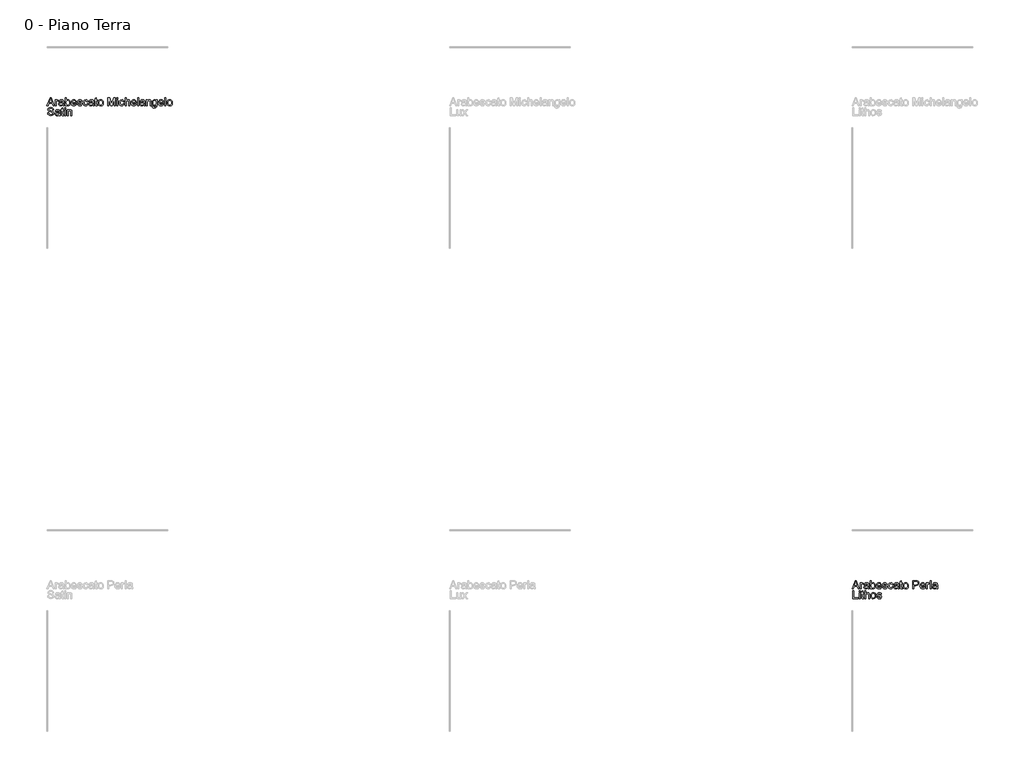
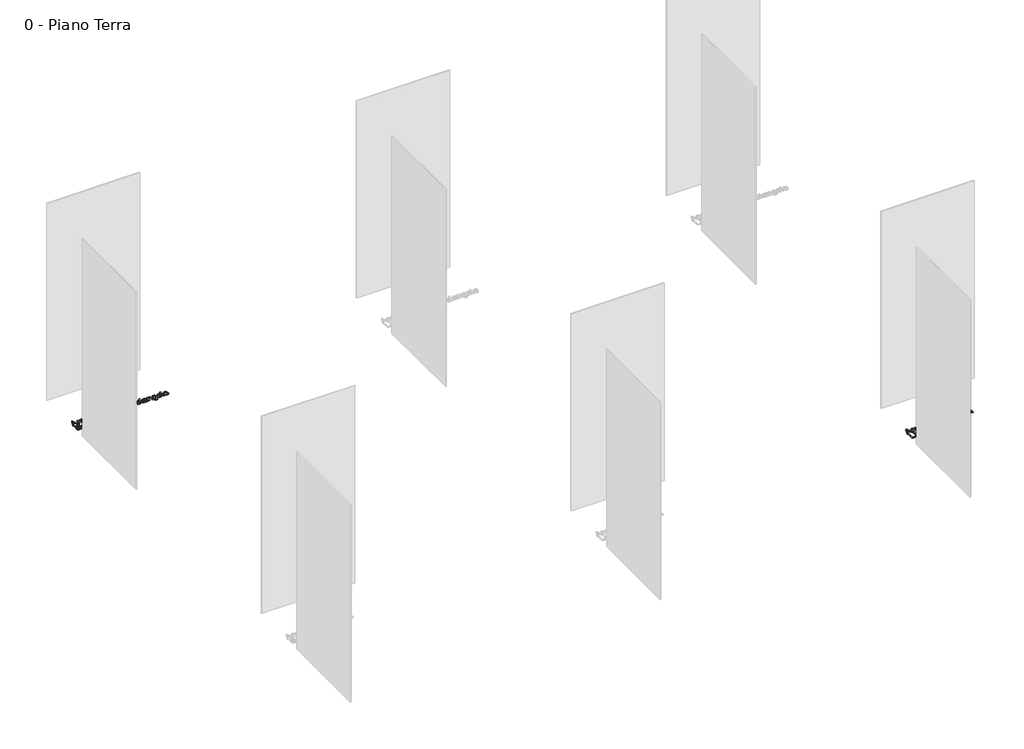
# One storey, part 33 of 35: 2 proxies.
"""IFC4 building model written with IfcOpenShell, lengths in millimetres."""

from ifc_helpers import new_model, si_unit, origin, origin_with_axes, place, context, project, spatial, polyline, outline, extrude, element, save

model = new_model("IFC4")

# Units and contexts
model_context = context("Model", 3, world=origin())
ifc_project = project(units=[si_unit("LENGTHUNIT", "METRE", prefix="MILLI")], contexts=[model_context])

# Site, building, storey
site = spatial("IfcSite", under=ifc_project)
building = spatial("IfcBuilding", under=site)
storey = spatial("IfcBuildingStorey", under=building, Name="0 - Piano Terra", Elevation=0.0)

# Proxies
placement = place(None, origin())
element("IfcBuildingElementProxy", 1, Name="Testo modello 1", ObjectType="Testo modello 1", at=placement, inside=storey, context=model_context, shape_type="SweptSolid", body=[
    extrude(outline(polyline([(2720.0306016, 17726.2407648), (2760.1297391, 17826.697075), (2770.8228424, 17826.697075), (2810.9219799, 17726.2407648), (2797.6537026, 17726.2407648), (2786.1512589, 17757.6333618), (2744.7767972, 17757.6333618), (2733.2988789, 17726.2407648), (2720.0306016, 17726.2407648)]), holes=[polyline([(2749.3875848, 17770.1904005), (2781.5649967, 17770.1904005), (2772.5150996, 17794.8875451), (2765.4762908, 17814.1400362), (2759.2222968, 17797.0457862), (2749.3875848, 17770.1904005)])]), origin_with_axes(), (0.0, 0.0, 1.0), 10.0),
    extrude(outline(polyline([(2822.7677801, 17726.2407648), (2822.7677801, 17800.0133676), (2833.7551891, 17800.0133676), (2833.7551891, 17789.0995351), (2841.5542874, 17799.1549763), (2849.4024366, 17801.5829975), (2862.0085263, 17797.7079738), (2857.8146716, 17786.4507847), (2848.9855037, 17789.0259587), (2841.8853812, 17786.5488866), (2837.3604326, 17779.681756), (2835.3248189, 17765.0155271), (2835.3248189, 17726.2407648), (2822.7677801, 17726.2407648)])), origin_with_axes(), (0.0, 0.0, 1.0), 10.0),
    extrude(outline(polyline([(2916.9455709, 17735.6585439), (2904.7686769, 17727.1482071), (2891.3164586, 17724.671135), (2880.8226247, 17726.1610571), (2873.0817744, 17730.6308233), (2868.3085055, 17737.4182461), (2866.7174158, 17745.8611379), (2869.1209115, 17755.7939518), (2875.4362191, 17763.0044389), (2884.2285988, 17767.1247172), (2895.0933804, 17769.0131782), (2916.8719945, 17773.3296602), (2916.9455709, 17776.1255634), (2913.4874802, 17785.3961897), (2899.6060662, 17789.0259587), (2886.9018746, 17786.6102003), (2880.8440845, 17778.0385498), (2868.2870457, 17779.6081796), (2873.7194365, 17791.8709128), (2884.6577945, 17799.0568744), (2901.224747, 17801.5829975), (2916.4427989, 17799.35118), (2925.0389748, 17793.747111), (2928.889473, 17785.2245114), (2929.5026097, 17774.2371025), (2929.5026097, 17758.6143804), (2930.1402718, 17736.7989781), (2932.6418694, 17726.2407648), (2920.0848306, 17726.2407648), (2916.9455709, 17735.6585439)]), holes=[polyline([(2916.9455709, 17760.7726215), (2896.6875357, 17756.9221232), (2885.8840678, 17754.8865095), (2880.9912373, 17751.5755716), (2879.2744546, 17746.7440547), (2883.0145882, 17739.9505005), (2893.9897344, 17737.2281738), (2906.693926, 17740.2325434), (2914.8854317, 17747.5043442), (2916.8719945, 17757.2164288), (2916.9455709, 17760.7726215)])]), origin_with_axes(), (0.0, 0.0, 1.0), 10.0),
    extrude(outline(polyline([(2959.3255768, 17726.2407648), (2946.768538, 17726.2407648), (2946.768538, 17826.697075), (2959.3255768, 17826.697075), (2959.3255768, 17789.4428916), (2968.1179564, 17798.547971), (2979.0440517, 17801.5829975), (2991.6256159, 17798.848408), (3001.3867515, 17791.1596743), (3007.3832281, 17779.2035094), (3009.5537318, 17764.2307122), (3007.306586, 17747.467556), (3000.5651484, 17734.9963563), (2990.6721884, 17727.2524403), (2978.9704753, 17724.671135), (2967.8052567, 17728.0004671), (2959.3255768, 17737.9884632), (2959.3255768, 17726.2407648)]), holes=[polyline([(2959.3255768, 17763.642101), (2962.759142, 17746.0818671), (2969.3380984, 17739.4415971), (2977.8913548, 17737.2281738), (2985.1386301, 17738.8591173), (2991.3313103, 17743.7519478), (2995.5803474, 17751.8760085), (2996.9966931, 17763.2006426), (2995.6385954, 17774.6908236), (2991.5643023, 17782.7229138), (2985.5647601, 17787.4501975), (2978.430915, 17789.0259587), (2971.1836397, 17787.3950152), (2964.9909595, 17782.5021846), (2960.7419224, 17774.5252767), (2959.3255768, 17763.642101)])]), origin_with_axes(), (0.0, 0.0, 1.0), 10.0),
    extrude(outline(polyline([(3075.3310326, 17748.2155827), (3087.6428167, 17746.6459528), (3083.206773, 17737.3691952), (3076.1281102, 17730.4346196), (3066.566244, 17726.1120062), (3054.6805899, 17724.671135), (3039.946916, 17727.1574042), (3028.6100192, 17734.6162116), (3021.381138, 17746.5631794), (3018.9715109, 17762.5139296), (3021.4056634, 17779.0011743), (3028.708121, 17791.3313525), (3039.8917337, 17799.0200862), (3053.9693514, 17801.5829975), (3067.6085764, 17799.0262176), (3078.5070805, 17791.355878), (3085.6531882, 17779.0502253), (3088.0352241, 17762.587506), (3087.9616477, 17759.2029916), (3031.5285497, 17759.2029916), (3033.7021191, 17749.8036066), (3038.7512995, 17742.8935565), (3046.0384287, 17738.6445195), (3054.9258446, 17737.2281738), (3067.2376287, 17739.8523987), (3075.3310326, 17748.2155827)]), holes=[polyline([(3031.5285497, 17771.7600304), (3075.4781854, 17771.7600304), (3070.4504648, 17783.1398468), (3063.1296131, 17787.5544307), (3053.9203005, 17789.0259587), (3038.4569939, 17784.3293319), (3033.5917545, 17778.8386931), (3031.5285497, 17771.7600304)])]), origin_with_axes(), (0.0, 0.0, 1.0), 10.0),
    extrude(outline(polyline([(3095.8833734, 17748.2155827), (3108.4404121, 17749.7852125), (3114.2529477, 17740.4655353), (3127.5702759, 17737.2281738), (3140.3725693, 17740.1957552), (3144.5418986, 17747.1609876), (3140.3480439, 17752.8018449), (3127.4231231, 17756.382563), (3108.5139885, 17762.5261923), (3100.2611691, 17769.6998912), (3097.4530032, 17779.8289088), (3099.7093461, 17789.1853742), (3105.8652382, 17796.3345477), (3113.8482775, 17800.0501558), (3124.6517454, 17801.5829975), (3139.9311109, 17799.1181881), (3149.6431956, 17792.4472612), (3153.9596777, 17781.1778095), (3141.4026389, 17779.6081796), (3136.6814866, 17786.5366239), (3125.632764, 17789.0259587), (3113.6152855, 17786.6469885), (3110.010042, 17781.1042331), (3111.5060954, 17777.4499386), (3116.1904595, 17774.6785609), (3127.0061902, 17772.005285), (3145.4370781, 17766.0946477), (3153.9964659, 17759.3991953), (3157.0989374, 17748.4853628), (3153.4569056, 17736.4678843), (3142.9477433, 17727.749081), (3127.3985976, 17724.671135), (3114.7373256, 17726.1549257), (3105.4973562, 17730.6062979), (3099.3292014, 17737.9762005), (3095.8833734, 17748.2155827)])), origin_with_axes(), (0.0, 0.0, 1.0), 10.0),
    extrude(outline(polyline([(3218.3145014, 17752.9244722), (3230.8715401, 17751.3548424), (3227.3705298, 17740.1865581), (3220.7915735, 17731.746732), (3211.7539391, 17726.4400343), (3200.8768948, 17724.671135), (3187.5197127, 17727.1390101), (3177.0749297, 17734.5426352), (3170.3334921, 17746.557048), (3168.0863463, 17762.8572861), (3171.9245818, 17783.7161952), (3183.6232292, 17797.1193626), (3200.7052165, 17801.5829975), (3211.3155464, 17800.0501558), (3219.7982921, 17795.4516309), (3225.8836734, 17788.0326773), (3229.3019103, 17778.0385498), (3216.7448715, 17776.4689199), (3210.9200733, 17785.8744363), (3200.8033184, 17789.0259587), (3192.6884547, 17787.4747229), (3186.2474541, 17782.8210157), (3182.0444023, 17774.8134509), (3180.6433851, 17763.2006426), (3182.0137455, 17751.4314845), (3186.1248268, 17743.3963286), (3192.4493314, 17738.7702125), (3200.4599619, 17737.2281738), (3212.2934994, 17741.078672), (3218.3145014, 17752.9244722)])), origin_with_axes(), (0.0, 0.0, 1.0), 10.0),
    extrude(outline(polyline([(3288.9478444, 17735.6585439), (3276.7709504, 17727.1482071), (3263.3187321, 17724.671135), (3252.8248982, 17726.1610571), (3245.0840479, 17730.6308233), (3240.310779, 17737.4182461), (3238.7196894, 17745.8611379), (3241.1231851, 17755.7939518), (3247.4384926, 17763.0044389), (3256.2308723, 17767.1247172), (3267.0956539, 17769.0131782), (3288.874268, 17773.3296602), (3288.9478444, 17776.1255634), (3285.4897537, 17785.3961897), (3271.6083397, 17789.0259587), (3258.9041482, 17786.6102003), (3252.846358, 17778.0385498), (3240.2893192, 17779.6081796), (3245.72171, 17791.8709128), (3256.660068, 17799.0568744), (3273.2270205, 17801.5829975), (3288.4450724, 17799.35118), (3297.0412483, 17793.747111), (3300.8917465, 17785.2245114), (3301.5048832, 17774.2371025), (3301.5048832, 17758.6143804), (3302.1425453, 17736.7989781), (3304.6441429, 17726.2407648), (3292.0871041, 17726.2407648), (3288.9478444, 17735.6585439)]), holes=[polyline([(3288.9478444, 17760.7726215), (3268.6898092, 17756.9221232), (3257.8863413, 17754.8865095), (3252.9935108, 17751.5755716), (3251.2767281, 17746.7440547), (3255.0168617, 17739.9505005), (3265.9920079, 17737.2281738), (3278.6961995, 17740.2325434), (3286.8877053, 17747.5043442), (3288.874268, 17757.2164288), (3288.9478444, 17760.7726215)])]), origin_with_axes(), (0.0, 0.0, 1.0), 10.0),
    extrude(outline(polyline([(3345.4545189, 17736.713139), (3347.0241487, 17725.8728829), (3337.6308951, 17724.671135), (3327.1094701, 17726.7557996), (3321.8610203, 17732.2249786), (3320.3404414, 17746.4742746), (3320.3404414, 17787.4563288), (3310.9226623, 17787.4563288), (3310.9226623, 17800.0133676), (3320.3404414, 17800.0133676), (3320.3404414, 17817.9414835), (3332.8974801, 17825.3236489), (3332.8974801, 17800.0133676), (3345.4545189, 17800.0133676), (3345.4545189, 17787.4563288), (3332.8974801, 17787.4563288), (3332.8974801, 17746.8421566), (3333.5596677, 17740.3674335), (3335.705646, 17738.0743024), (3339.9853399, 17737.2281738), (3345.4545189, 17736.713139)])), origin_with_axes(), (0.0, 0.0, 1.0), 10.0),
    extrude(outline(polyline([(3354.872298, 17763.1270662), (3357.5884934, 17780.9141607), (3365.7370796, 17793.4160172), (3375.8047835, 17799.5412524), (3387.8590502, 17801.5829975), (3401.0506854, 17799.0967283), (3411.5874389, 17791.6379209), (3418.4944234, 17779.7951863), (3420.7967515, 17764.1571358), (3416.7255241, 17741.814436), (3404.8674611, 17729.1715581), (3387.8590502, 17724.671135), (3374.5079995, 17727.1482071), (3363.9835087, 17734.5794234), (3357.1501007, 17746.6704783), (3354.872298, 17763.1270662)]), holes=[polyline([(3367.4293367, 17763.1515917), (3368.8824706, 17751.7871037), (3373.2418723, 17743.6906342), (3379.8024345, 17738.8437889), (3387.8590502, 17737.2281738), (3395.8788777, 17738.8529859), (3402.4271772, 17743.7274224), (3406.7865789, 17751.9311908), (3408.2397127, 17763.5439992), (3406.7773818, 17774.5773933), (3402.390389, 17782.5634983), (3395.8328925, 17787.4103436), (3387.8590502, 17789.0259587), (3379.8024345, 17787.416475), (3373.2418723, 17782.5880238), (3368.8824706, 17774.5099483), (3367.4293367, 17763.1515917)])]), origin_with_axes(), (0.0, 0.0, 1.0), 10.0),
    extrude(outline(polyline([(3475.7337961, 17726.2407648), (3475.7337961, 17826.697075), (3497.340732, 17826.697075), (3517.8930728, 17755.8920537), (3522.0378766, 17741.1031975), (3526.5260369, 17757.118327), (3546.7350212, 17826.697075), (3568.341957, 17826.697075), (3568.341957, 17726.2407648), (3555.7849183, 17726.2407648), (3555.7849183, 17814.1400362), (3530.5482134, 17726.2407648), (3513.5275398, 17726.2407648), (3488.2908349, 17814.1400362), (3488.2908349, 17726.2407648), (3475.7337961, 17726.2407648)])), origin_with_axes(), (0.0, 0.0, 1.0), 10.0),
    extrude(outline(polyline([(3588.747145, 17814.1400362), (3588.747145, 17826.697075), (3601.3041838, 17826.697075), (3601.3041838, 17814.1400362), (3588.747145, 17814.1400362)])), origin_with_axes(), (0.0, 0.0, 1.0), 10.0),
    extrude(outline(polyline([(3588.747145, 17726.2407648), (3588.747145, 17800.0133676), (3601.3041838, 17800.0133676), (3601.3041838, 17726.2407648), (3588.747145, 17726.2407648)])), origin_with_axes(), (0.0, 0.0, 1.0), 10.0),
    extrude(outline(polyline([(3667.2286373, 17752.9244722), (3679.7856761, 17751.3548424), (3676.2846658, 17740.1865581), (3669.7057094, 17731.746732), (3660.6680751, 17726.4400343), (3649.7910308, 17724.671135), (3636.4338487, 17727.1390101), (3625.9890657, 17734.5426352), (3619.2476281, 17746.557048), (3617.0004823, 17762.8572861), (3620.8387178, 17783.7161952), (3632.5373652, 17797.1193626), (3649.6193525, 17801.5829975), (3660.2296824, 17800.0501558), (3668.7124281, 17795.4516309), (3674.7978094, 17788.0326773), (3678.2160463, 17778.0385498), (3665.6590075, 17776.4689199), (3659.8342092, 17785.8744363), (3649.7174544, 17789.0259587), (3641.6025907, 17787.4747229), (3635.1615901, 17782.8210157), (3630.9585383, 17774.8134509), (3629.557521, 17763.2006426), (3630.9278815, 17751.4314845), (3635.0389628, 17743.3963286), (3641.3634674, 17738.7702125), (3649.3740978, 17737.2281738), (3661.2076354, 17741.078672), (3667.2286373, 17752.9244722)])), origin_with_axes(), (0.0, 0.0, 1.0), 10.0),
    extrude(outline(polyline([(3690.773085, 17726.2407648), (3690.773085, 17826.697075), (3703.3301238, 17826.697075), (3703.3301238, 17789.7617227), (3713.1219162, 17798.6276788), (3725.1823143, 17801.5829975), (3739.2844575, 17798.3578986), (3747.8438452, 17789.4428916), (3750.4190192, 17772.9372528), (3750.4190192, 17726.2407648), (3737.8619804, 17726.2407648), (3737.8619804, 17771.6374031), (3733.8643294, 17784.8811549), (3722.533564, 17789.0259587), (3712.2451308, 17786.2300555), (3705.3780002, 17778.6516864), (3703.3301238, 17765.4324601), (3703.3301238, 17726.2407648), (3690.773085, 17726.2407648)])), origin_with_axes(), (0.0, 0.0, 1.0), 10.0),
    extrude(outline(polyline([(3819.3355796, 17748.2155827), (3831.6473637, 17746.6459528), (3827.21132, 17737.3691952), (3820.1326573, 17730.4346196), (3810.5707911, 17726.1120062), (3798.685137, 17724.671135), (3783.951463, 17727.1574042), (3772.6145662, 17734.6162116), (3765.385685, 17746.5631794), (3762.976058, 17762.5139296), (3765.4102105, 17779.0011743), (3772.7126681, 17791.3313525), (3783.8962807, 17799.0200862), (3797.9738984, 17801.5829975), (3811.6131234, 17799.0262176), (3822.5116275, 17791.355878), (3829.6577353, 17779.0502253), (3832.0397712, 17762.587506), (3831.9661948, 17759.2029916), (3775.5330967, 17759.2029916), (3777.7066662, 17749.8036066), (3782.7558466, 17742.8935565), (3790.0429758, 17738.6445195), (3798.9303916, 17737.2281738), (3811.2421757, 17739.8523987), (3819.3355796, 17748.2155827)]), holes=[polyline([(3775.5330967, 17771.7600304), (3819.4827324, 17771.7600304), (3814.4550118, 17783.1398468), (3807.1341601, 17787.5544307), (3797.9248475, 17789.0259587), (3782.461541, 17784.3293319), (3777.5963016, 17778.8386931), (3775.5330967, 17771.7600304)])]), origin_with_axes(), (0.0, 0.0, 1.0), 10.0),
    extrude(outline(polyline([(3844.59681, 17726.2407648), (3844.59681, 17826.697075), (3857.1538487, 17826.697075), (3857.1538487, 17726.2407648), (3844.59681, 17726.2407648)])), origin_with_axes(), (0.0, 0.0, 1.0), 10.0),
    extrude(outline(polyline([(3923.0783023, 17735.6585439), (3910.9014082, 17727.1482071), (3897.4491899, 17724.671135), (3886.955356, 17726.1610571), (3879.2145057, 17730.6308233), (3874.4412368, 17737.4182461), (3872.8501472, 17745.8611379), (3875.2536429, 17755.7939518), (3881.5689505, 17763.0044389), (3890.3613302, 17767.1247172), (3901.2261117, 17769.0131782), (3923.0047259, 17773.3296602), (3923.0783023, 17776.1255634), (3919.6202115, 17785.3961897), (3905.7387976, 17789.0259587), (3893.034606, 17786.6102003), (3886.9768158, 17778.0385498), (3874.419777, 17779.6081796), (3879.8521678, 17791.8709128), (3890.7905258, 17799.0568744), (3907.3574783, 17801.5829975), (3922.5755302, 17799.35118), (3931.1717062, 17793.747111), (3935.0222044, 17785.2245114), (3935.635341, 17774.2371025), (3935.635341, 17758.6143804), (3936.2730031, 17736.7989781), (3938.7746007, 17726.2407648), (3926.2175619, 17726.2407648), (3923.0783023, 17735.6585439)]), holes=[polyline([(3923.0783023, 17760.7726215), (3902.8202671, 17756.9221232), (3892.0167991, 17754.8865095), (3887.1239686, 17751.5755716), (3885.407186, 17746.7440547), (3889.1473196, 17739.9505005), (3900.1224658, 17737.2281738), (3912.8266573, 17740.2325434), (3921.0181631, 17747.5043442), (3923.0047259, 17757.2164288), (3923.0783023, 17760.7726215)])]), origin_with_axes(), (0.0, 0.0, 1.0), 10.0),
    extrude(outline(polyline([(3952.9012693, 17726.2407648), (3952.9012693, 17800.0133676), (3965.4583081, 17800.0133676), (3965.4583081, 17789.7126717), (3975.0600282, 17798.615416), (3988.1688899, 17801.5829975), (4000.0269529, 17799.1917645), (4008.1203568, 17792.9132451), (4011.8850159, 17783.679407), (4012.5472035, 17771.5393012), (4012.5472035, 17726.2407648), (3999.9901647, 17726.2407648), (3999.9901647, 17769.847044), (3998.5431622, 17780.9570803), (3993.4296025, 17786.8309295), (3984.808901, 17789.0259587), (3971.1850045, 17784.09634), (3966.8899822, 17776.9532979), (3965.4583081, 17765.3834091), (3965.4583081, 17726.2407648), (3952.9012693, 17726.2407648)])), origin_with_axes(), (0.0, 0.0, 1.0), 10.0),
    extrude(outline(polyline([(4026.6738721, 17719.9622455), (4039.2309109, 17718.3926156), (4043.3021383, 17711.7707397), (4055.4912951, 17708.9748365), (4068.3426394, 17712.1386217), (4074.474006, 17721.0168405), (4075.3323973, 17735.6585439), (4066.4909667, 17728.5952096), (4055.7120243, 17726.2407648), (4042.7656437, 17728.9814857), (4033.111807, 17737.2036483), (4027.1061334, 17749.257915), (4025.1042423, 17763.4949482), (4028.6972231, 17782.9559058), (4039.0960208, 17796.7269551), (4055.0988876, 17801.5829975), (4066.3008943, 17798.8361452), (4075.3323973, 17790.5955885), (4075.3323973, 17800.0133676), (4087.8894361, 17800.0133676), (4087.8894361, 17736.3207315), (4084.4558708, 17711.9301552), (4073.5788265, 17700.5871271), (4055.2460404, 17696.4177978), (4043.5627214, 17697.8862601), (4034.3626058, 17702.291647), (4028.4611655, 17709.6462212), (4026.6738721, 17719.9622455)]), holes=[polyline([(4037.661281, 17764.3533395), (4039.0009846, 17752.8355674), (4043.0200954, 17744.9169075), (4049.0625572, 17740.3275796), (4056.4723137, 17738.7978036), (4063.8268879, 17740.3183825), (4069.9000065, 17744.8801193), (4073.9742996, 17752.6976117), (4075.3323973, 17763.9854576), (4073.9344457, 17774.8716989), (4069.740591, 17782.7106511), (4063.5785676, 17787.4471318), (4056.27611, 17789.0259587), (4049.1054768, 17787.4716573), (4043.0936718, 17782.808753), (4039.0193787, 17775.0862968), (4037.661281, 17764.3533395)])]), origin_with_axes(), (0.0, 0.0, 1.0), 10.0),
    extrude(outline(polyline([(4158.3756264, 17748.2155827), (4170.6874105, 17746.6459528), (4166.2513668, 17737.3691952), (4159.172704, 17730.4346196), (4149.6108378, 17726.1120062), (4137.7251837, 17724.671135), (4122.9915098, 17727.1574042), (4111.654613, 17734.6162116), (4104.4257318, 17746.5631794), (4102.0161047, 17762.5139296), (4104.4502572, 17779.0011743), (4111.7527148, 17791.3313525), (4122.9363275, 17799.0200862), (4137.0139452, 17801.5829975), (4150.6531702, 17799.0262176), (4161.5516743, 17791.355878), (4168.697782, 17779.0502253), (4171.0798179, 17762.587506), (4171.0062415, 17759.2029916), (4114.5731435, 17759.2029916), (4116.7467129, 17749.8036066), (4121.7958933, 17742.8935565), (4129.0830225, 17738.6445195), (4137.9704384, 17737.2281738), (4150.2822225, 17739.8523987), (4158.3756264, 17748.2155827)]), holes=[polyline([(4114.5731435, 17771.7600304), (4158.5227792, 17771.7600304), (4153.4950586, 17783.1398468), (4146.1742069, 17787.5544307), (4136.9648943, 17789.0259587), (4121.5015877, 17784.3293319), (4116.6363483, 17778.8386931), (4114.5731435, 17771.7600304)])]), origin_with_axes(), (0.0, 0.0, 1.0), 10.0),
    extrude(outline(polyline([(4183.6368567, 17726.2407648), (4183.6368567, 17826.697075), (4196.1938955, 17826.697075), (4196.1938955, 17726.2407648), (4183.6368567, 17726.2407648)])), origin_with_axes(), (0.0, 0.0, 1.0), 10.0),
    extrude(outline(polyline([(4211.8901939, 17763.1270662), (4214.6063893, 17780.9141607), (4222.7549755, 17793.4160172), (4232.8226795, 17799.5412524), (4244.8769462, 17801.5829975), (4258.0685814, 17799.0967283), (4268.6053349, 17791.6379209), (4275.5123193, 17779.7951863), (4277.8146475, 17764.1571358), (4273.7434201, 17741.814436), (4261.8853571, 17729.1715581), (4244.8769462, 17724.671135), (4231.5258954, 17727.1482071), (4221.0014047, 17734.5794234), (4214.1679966, 17746.6704783), (4211.8901939, 17763.1270662)]), holes=[polyline([(4224.4472327, 17763.1515917), (4225.9003666, 17751.7871037), (4230.2597682, 17743.6906342), (4236.8203305, 17738.8437889), (4244.8769462, 17737.2281738), (4252.8967737, 17738.8529859), (4259.4450732, 17743.7274224), (4263.8044748, 17751.9311908), (4265.2576087, 17763.5439992), (4263.7952778, 17774.5773933), (4259.408285, 17782.5634983), (4252.8507884, 17787.4103436), (4244.8769462, 17789.0259587), (4236.8203305, 17787.416475), (4230.2597682, 17782.5880238), (4225.9003666, 17774.5099483), (4224.4472327, 17763.1515917)])]), origin_with_axes(), (0.0, 0.0, 1.0), 10.0),
    extrude(outline(polyline([(2727.0203595, 17638.7978036), (2739.5773983, 17638.7978036), (2743.6241003, 17626.2285021), (2753.5078632, 17618.282251), (2768.5664995, 17615.2533559), (2781.687624, 17617.546487), (2790.1611726, 17623.8495319), (2792.9448131, 17632.2740296), (2790.8601484, 17640.1099161), (2782.3252861, 17645.812087), (2764.041551, 17650.6068157), (2744.3598642, 17656.7994959), (2733.6790237, 17666.1436986), (2730.1596192, 17678.627161), (2734.5128895, 17692.8396687), (2747.2293438, 17702.8705844), (2765.8441728, 17706.291887), (2785.7098005, 17702.7111689), (2798.9535523, 17692.1897439), (2803.932222, 17676.4689199), (2791.3751832, 17676.4689199), (2789.0697894, 17683.9614499), (2784.262798, 17689.3693152), (2766.3346821, 17693.7348482), (2748.3575153, 17689.4183662), (2742.716658, 17678.995043), (2746.714309, 17670.2885024), (2767.2175989, 17663.274219), (2789.4376714, 17656.9711742), (2801.59004, 17646.7931056), (2805.5018518, 17632.5928606), (2801.0014288, 17617.5710125), (2788.0519825, 17606.608129), (2769.0570089, 17602.6963172), (2746.6284699, 17606.9146974), (2732.4404876, 17619.6188889), (2727.0203595, 17638.7978036)])), origin_with_axes(), (0.0, 0.0, 1.0), 10.0),
    extrude(outline(polyline([(2869.8566755, 17613.6837261), (2857.6797815, 17605.1733893), (2844.2275632, 17602.6963172), (2833.7337293, 17604.1862392), (2825.992879, 17608.6560055), (2821.2196101, 17615.4434283), (2819.6285205, 17623.8863201), (2822.0320162, 17633.8191339), (2828.3473237, 17641.0296211), (2837.1397034, 17645.1498994), (2848.004485, 17647.0383603), (2869.7830991, 17651.3548424), (2869.8566755, 17654.1507455), (2866.3985848, 17663.4213718), (2852.5171708, 17667.0511408), (2839.8129793, 17664.6353824), (2833.7551891, 17656.0637319), (2821.1981503, 17657.6333618), (2826.6305411, 17669.8960949), (2837.5688991, 17677.0820566), (2854.1358516, 17679.6081796), (2869.3539035, 17677.3763622), (2877.9500794, 17671.7722931), (2881.8005776, 17663.2496936), (2882.4137143, 17652.2622846), (2882.4137143, 17636.6395626), (2883.0513764, 17614.8241603), (2885.552974, 17604.265947), (2872.9959352, 17604.265947), (2869.8566755, 17613.6837261)]), holes=[polyline([(2869.8566755, 17638.7978036), (2849.5986403, 17634.9473054), (2838.7951724, 17632.9116917), (2833.9023419, 17629.6007537), (2832.1855592, 17624.7692369), (2835.9256928, 17617.9756827), (2846.900839, 17615.2533559), (2859.6050306, 17618.2577256), (2867.7965364, 17625.5295263), (2869.7830991, 17635.241611), (2869.8566755, 17638.7978036)])]), origin_with_axes(), (0.0, 0.0, 1.0), 10.0),
    extrude(outline(polyline([(2926.36335, 17614.7383211), (2927.9329798, 17603.898065), (2918.5397262, 17602.6963172), (2908.0183012, 17604.7809818), (2902.7698514, 17610.2501608), (2901.2492725, 17624.4994567), (2901.2492725, 17665.481511), (2891.8314934, 17665.481511), (2891.8314934, 17678.0385498), (2901.2492725, 17678.0385498), (2901.2492725, 17695.9666657), (2913.8063112, 17703.348831), (2913.8063112, 17678.0385498), (2926.36335, 17678.0385498), (2926.36335, 17665.481511), (2913.8063112, 17665.481511), (2913.8063112, 17624.8673387), (2914.4684988, 17618.3926156), (2916.6144771, 17616.0994845), (2920.894171, 17615.2533559), (2926.36335, 17614.7383211)])), origin_with_axes(), (0.0, 0.0, 1.0), 10.0),
    extrude(outline(polyline([(2938.9203888, 17692.1652184), (2938.9203888, 17704.7222572), (2951.4774275, 17704.7222572), (2951.4774275, 17692.1652184), (2938.9203888, 17692.1652184)])), origin_with_axes(), (0.0, 0.0, 1.0), 10.0),
    extrude(outline(polyline([(2938.9203888, 17604.265947), (2938.9203888, 17678.0385498), (2951.4774275, 17678.0385498), (2951.4774275, 17604.265947), (2938.9203888, 17604.265947)])), origin_with_axes(), (0.0, 0.0, 1.0), 10.0),
    extrude(outline(polyline([(2970.3129857, 17604.265947), (2970.3129857, 17678.0385498), (2982.8700244, 17678.0385498), (2982.8700244, 17667.7378539), (2992.4717445, 17676.6405982), (3005.5806063, 17679.6081796), (3017.4386693, 17677.2169466), (3025.5320732, 17670.9384273), (3029.2967322, 17661.7045892), (3029.9589198, 17649.5644833), (3029.9589198, 17604.265947), (3017.4018811, 17604.265947), (3017.4018811, 17647.8722262), (3015.9548785, 17658.9822624), (3010.8413188, 17664.8561116), (3002.2206174, 17667.0511408), (2988.5967208, 17662.1215221), (2984.3016985, 17654.97848), (2982.8700244, 17643.4085913), (2982.8700244, 17604.265947), (2970.3129857, 17604.265947)])), origin_with_axes(), (0.0, 0.0, 1.0), 10.0),
])
element("IfcBuildingElementProxy", 2, Name="Testo modello 1", ObjectType="Testo modello 1", at=placement, inside=storey, context=model_context, shape_type="SweptSolid", body=[
    extrude(outline(polyline([(12720.0306016, 11726.2407648), (12760.1297391, 11826.697075), (12770.8228424, 11826.697075), (12810.9219799, 11726.2407648), (12797.6537026, 11726.2407648), (12786.1512589, 11757.6333618), (12744.7767972, 11757.6333618), (12733.2988789, 11726.2407648), (12720.0306016, 11726.2407648)]), holes=[polyline([(12749.3875848, 11770.1904005), (12781.5649967, 11770.1904005), (12772.5150996, 11794.8875451), (12765.4762908, 11814.1400362), (12759.2222968, 11797.0457862), (12749.3875848, 11770.1904005)])]), origin_with_axes(), (0.0, 0.0, 1.0), 10.0),
    extrude(outline(polyline([(12822.7677801, 11726.2407648), (12822.7677801, 11800.0133676), (12833.7551891, 11800.0133676), (12833.7551891, 11789.0995351), (12841.5542874, 11799.1549763), (12849.4024366, 11801.5829975), (12862.0085263, 11797.7079738), (12857.8146716, 11786.4507847), (12848.9855037, 11789.0259587), (12841.8853812, 11786.5488866), (12837.3604326, 11779.681756), (12835.3248189, 11765.0155271), (12835.3248189, 11726.2407648), (12822.7677801, 11726.2407648)])), origin_with_axes(), (0.0, 0.0, 1.0), 10.0),
    extrude(outline(polyline([(12916.9455709, 11735.6585439), (12904.7686769, 11727.1482071), (12891.3164586, 11724.671135), (12880.8226247, 11726.1610571), (12873.0817744, 11730.6308233), (12868.3085055, 11737.4182461), (12866.7174158, 11745.8611379), (12869.1209115, 11755.7939518), (12875.4362191, 11763.0044389), (12884.2285988, 11767.1247172), (12895.0933804, 11769.0131782), (12916.8719945, 11773.3296602), (12916.9455709, 11776.1255634), (12913.4874802, 11785.3961897), (12899.6060662, 11789.0259587), (12886.9018746, 11786.6102003), (12880.8440845, 11778.0385498), (12868.2870457, 11779.6081796), (12873.7194365, 11791.8709128), (12884.6577945, 11799.0568744), (12901.224747, 11801.5829975), (12916.4427989, 11799.35118), (12925.0389748, 11793.747111), (12928.889473, 11785.2245114), (12929.5026097, 11774.2371025), (12929.5026097, 11758.6143804), (12930.1402718, 11736.7989781), (12932.6418694, 11726.2407648), (12920.0848306, 11726.2407648), (12916.9455709, 11735.6585439)]), holes=[polyline([(12916.9455709, 11760.7726215), (12896.6875357, 11756.9221232), (12885.8840678, 11754.8865095), (12880.9912373, 11751.5755716), (12879.2744546, 11746.7440547), (12883.0145882, 11739.9505005), (12893.9897344, 11737.2281738), (12906.693926, 11740.2325434), (12914.8854317, 11747.5043442), (12916.8719945, 11757.2164288), (12916.9455709, 11760.7726215)])]), origin_with_axes(), (0.0, 0.0, 1.0), 10.0),
    extrude(outline(polyline([(12959.3255768, 11726.2407648), (12946.768538, 11726.2407648), (12946.768538, 11826.697075), (12959.3255768, 11826.697075), (12959.3255768, 11789.4428916), (12968.1179564, 11798.547971), (12979.0440517, 11801.5829975), (12991.6256159, 11798.848408), (13001.3867515, 11791.1596743), (13007.3832281, 11779.2035094), (13009.5537318, 11764.2307122), (13007.306586, 11747.467556), (13000.5651484, 11734.9963563), (12990.6721884, 11727.2524403), (12978.9704753, 11724.671135), (12967.8052567, 11728.0004671), (12959.3255768, 11737.9884632), (12959.3255768, 11726.2407648)]), holes=[polyline([(12959.3255768, 11763.642101), (12962.759142, 11746.0818671), (12969.3380984, 11739.4415971), (12977.8913548, 11737.2281738), (12985.1386301, 11738.8591173), (12991.3313103, 11743.7519478), (12995.5803474, 11751.8760085), (12996.9966931, 11763.2006426), (12995.6385954, 11774.6908236), (12991.5643023, 11782.7229138), (12985.5647601, 11787.4501975), (12978.430915, 11789.0259587), (12971.1836397, 11787.3950152), (12964.9909595, 11782.5021846), (12960.7419224, 11774.5252767), (12959.3255768, 11763.642101)])]), origin_with_axes(), (0.0, 0.0, 1.0), 10.0),
    extrude(outline(polyline([(13075.3310326, 11748.2155827), (13087.6428167, 11746.6459528), (13083.206773, 11737.3691952), (13076.1281102, 11730.4346196), (13066.566244, 11726.1120062), (13054.6805899, 11724.671135), (13039.946916, 11727.1574042), (13028.6100192, 11734.6162116), (13021.381138, 11746.5631794), (13018.9715109, 11762.5139296), (13021.4056634, 11779.0011743), (13028.708121, 11791.3313525), (13039.8917337, 11799.0200862), (13053.9693514, 11801.5829975), (13067.6085764, 11799.0262176), (13078.5070805, 11791.355878), (13085.6531882, 11779.0502253), (13088.0352241, 11762.587506), (13087.9616477, 11759.2029916), (13031.5285497, 11759.2029916), (13033.7021191, 11749.8036066), (13038.7512995, 11742.8935565), (13046.0384287, 11738.6445195), (13054.9258446, 11737.2281738), (13067.2376287, 11739.8523987), (13075.3310326, 11748.2155827)]), holes=[polyline([(13031.5285497, 11771.7600304), (13075.4781854, 11771.7600304), (13070.4504648, 11783.1398468), (13063.1296131, 11787.5544307), (13053.9203005, 11789.0259587), (13038.4569939, 11784.3293319), (13033.5917545, 11778.8386931), (13031.5285497, 11771.7600304)])]), origin_with_axes(), (0.0, 0.0, 1.0), 10.0),
    extrude(outline(polyline([(13095.8833734, 11748.2155827), (13108.4404121, 11749.7852125), (13114.2529477, 11740.4655353), (13127.5702759, 11737.2281738), (13140.3725693, 11740.1957552), (13144.5418986, 11747.1609876), (13140.3480439, 11752.8018449), (13127.4231231, 11756.382563), (13108.5139885, 11762.5261923), (13100.2611691, 11769.6998912), (13097.4530032, 11779.8289088), (13099.7093461, 11789.1853742), (13105.8652382, 11796.3345477), (13113.8482775, 11800.0501558), (13124.6517454, 11801.5829975), (13139.9311109, 11799.1181881), (13149.6431956, 11792.4472612), (13153.9596777, 11781.1778095), (13141.4026389, 11779.6081796), (13136.6814866, 11786.5366239), (13125.632764, 11789.0259587), (13113.6152855, 11786.6469885), (13110.010042, 11781.1042331), (13111.5060954, 11777.4499386), (13116.1904595, 11774.6785609), (13127.0061902, 11772.005285), (13145.4370781, 11766.0946477), (13153.9964659, 11759.3991953), (13157.0989374, 11748.4853628), (13153.4569056, 11736.4678843), (13142.9477433, 11727.749081), (13127.3985976, 11724.671135), (13114.7373256, 11726.1549257), (13105.4973562, 11730.6062979), (13099.3292014, 11737.9762005), (13095.8833734, 11748.2155827)])), origin_with_axes(), (0.0, 0.0, 1.0), 10.0),
    extrude(outline(polyline([(13218.3145014, 11752.9244722), (13230.8715401, 11751.3548424), (13227.3705298, 11740.1865581), (13220.7915735, 11731.746732), (13211.7539391, 11726.4400343), (13200.8768948, 11724.671135), (13187.5197127, 11727.1390101), (13177.0749297, 11734.5426352), (13170.3334921, 11746.557048), (13168.0863463, 11762.8572861), (13171.9245818, 11783.7161952), (13183.6232292, 11797.1193626), (13200.7052165, 11801.5829975), (13211.3155464, 11800.0501558), (13219.7982921, 11795.4516309), (13225.8836734, 11788.0326773), (13229.3019103, 11778.0385498), (13216.7448715, 11776.4689199), (13210.9200733, 11785.8744363), (13200.8033184, 11789.0259587), (13192.6884547, 11787.4747229), (13186.2474541, 11782.8210157), (13182.0444023, 11774.8134509), (13180.6433851, 11763.2006426), (13182.0137455, 11751.4314845), (13186.1248268, 11743.3963286), (13192.4493314, 11738.7702125), (13200.4599619, 11737.2281738), (13212.2934994, 11741.078672), (13218.3145014, 11752.9244722)])), origin_with_axes(), (0.0, 0.0, 1.0), 10.0),
    extrude(outline(polyline([(13288.9478444, 11735.6585439), (13276.7709504, 11727.1482071), (13263.3187321, 11724.671135), (13252.8248982, 11726.1610571), (13245.0840479, 11730.6308233), (13240.310779, 11737.4182461), (13238.7196894, 11745.8611379), (13241.1231851, 11755.7939518), (13247.4384926, 11763.0044389), (13256.2308723, 11767.1247172), (13267.0956539, 11769.0131782), (13288.874268, 11773.3296602), (13288.9478444, 11776.1255634), (13285.4897537, 11785.3961897), (13271.6083397, 11789.0259587), (13258.9041482, 11786.6102003), (13252.846358, 11778.0385498), (13240.2893192, 11779.6081796), (13245.72171, 11791.8709128), (13256.660068, 11799.0568744), (13273.2270205, 11801.5829975), (13288.4450724, 11799.35118), (13297.0412483, 11793.747111), (13300.8917465, 11785.2245114), (13301.5048832, 11774.2371025), (13301.5048832, 11758.6143804), (13302.1425453, 11736.7989781), (13304.6441429, 11726.2407648), (13292.0871041, 11726.2407648), (13288.9478444, 11735.6585439)]), holes=[polyline([(13288.9478444, 11760.7726215), (13268.6898092, 11756.9221232), (13257.8863413, 11754.8865095), (13252.9935108, 11751.5755716), (13251.2767281, 11746.7440547), (13255.0168617, 11739.9505005), (13265.9920079, 11737.2281738), (13278.6961995, 11740.2325434), (13286.8877053, 11747.5043442), (13288.874268, 11757.2164288), (13288.9478444, 11760.7726215)])]), origin_with_axes(), (0.0, 0.0, 1.0), 10.0),
    extrude(outline(polyline([(13345.4545189, 11736.713139), (13347.0241487, 11725.8728829), (13337.6308951, 11724.671135), (13327.1094701, 11726.7557996), (13321.8610203, 11732.2249786), (13320.3404414, 11746.4742746), (13320.3404414, 11787.4563288), (13310.9226623, 11787.4563288), (13310.9226623, 11800.0133676), (13320.3404414, 11800.0133676), (13320.3404414, 11817.9414835), (13332.8974801, 11825.3236489), (13332.8974801, 11800.0133676), (13345.4545189, 11800.0133676), (13345.4545189, 11787.4563288), (13332.8974801, 11787.4563288), (13332.8974801, 11746.8421566), (13333.5596677, 11740.3674335), (13335.705646, 11738.0743024), (13339.9853399, 11737.2281738), (13345.4545189, 11736.713139)])), origin_with_axes(), (0.0, 0.0, 1.0), 10.0),
    extrude(outline(polyline([(13354.872298, 11763.1270662), (13357.5884934, 11780.9141607), (13365.7370796, 11793.4160172), (13375.8047835, 11799.5412524), (13387.8590502, 11801.5829975), (13401.0506854, 11799.0967283), (13411.5874389, 11791.6379209), (13418.4944234, 11779.7951863), (13420.7967515, 11764.1571358), (13416.7255241, 11741.814436), (13404.8674611, 11729.1715581), (13387.8590502, 11724.671135), (13374.5079995, 11727.1482071), (13363.9835087, 11734.5794234), (13357.1501007, 11746.6704783), (13354.872298, 11763.1270662)]), holes=[polyline([(13367.4293367, 11763.1515917), (13368.8824706, 11751.7871037), (13373.2418723, 11743.6906342), (13379.8024345, 11738.8437889), (13387.8590502, 11737.2281738), (13395.8788777, 11738.8529859), (13402.4271772, 11743.7274224), (13406.7865789, 11751.9311908), (13408.2397127, 11763.5439992), (13406.7773818, 11774.5773933), (13402.390389, 11782.5634983), (13395.8328925, 11787.4103436), (13387.8590502, 11789.0259587), (13379.8024345, 11787.416475), (13373.2418723, 11782.5880238), (13368.8824706, 11774.5099483), (13367.4293367, 11763.1515917)])]), origin_with_axes(), (0.0, 0.0, 1.0), 10.0),
    extrude(outline(polyline([(13475.7337961, 11726.2407648), (13475.7337961, 11826.697075), (13512.963454, 11826.697075), (13527.9730394, 11825.7405818), (13540.1744589, 11821.043955), (13548.0839218, 11811.3318703), (13551.0760287, 11797.6343974), (13549.0557434, 11785.7947285), (13542.9948876, 11775.9293597), (13531.6610564, 11769.2706956), (13513.8218454, 11767.0511408), (13488.2908349, 11767.0511408), (13488.2908349, 11726.2407648), (13475.7337961, 11726.2407648)]), holes=[polyline([(13488.2908349, 11779.6081796), (13514.5576093, 11779.6081796), (13533.049811, 11784.2189673), (13537.1516952, 11789.767854), (13538.51899, 11797.192939), (13535.2938911, 11807.5917367), (13526.8203425, 11813.2816449), (13514.2633037, 11814.1400362), (13488.2908349, 11814.1400362), (13488.2908349, 11779.6081796)])]), origin_with_axes(), (0.0, 0.0, 1.0), 10.0),
    extrude(outline(polyline([(13618.4229593, 11748.2155827), (13630.7347434, 11746.6459528), (13626.2986997, 11737.3691952), (13619.220037, 11730.4346196), (13609.6581708, 11726.1120062), (13597.7725167, 11724.671135), (13583.0388427, 11727.1574042), (13571.7019459, 11734.6162116), (13564.4730647, 11746.5631794), (13562.0634377, 11762.5139296), (13564.4975902, 11779.0011743), (13571.8000478, 11791.3313525), (13582.9836604, 11799.0200862), (13597.0612781, 11801.5829975), (13610.7005031, 11799.0262176), (13621.5990072, 11791.355878), (13628.745115, 11779.0502253), (13631.1271509, 11762.587506), (13631.0535745, 11759.2029916), (13574.6204764, 11759.2029916), (13576.7940459, 11749.8036066), (13581.8432263, 11742.8935565), (13589.1303555, 11738.6445195), (13598.0177713, 11737.2281738), (13610.3295554, 11739.8523987), (13618.4229593, 11748.2155827)]), holes=[polyline([(13574.6204764, 11771.7600304), (13618.5701121, 11771.7600304), (13613.5423915, 11783.1398468), (13606.2215398, 11787.5544307), (13597.0122272, 11789.0259587), (13581.5489207, 11784.3293319), (13576.6836813, 11778.8386931), (13574.6204764, 11771.7600304)])]), origin_with_axes(), (0.0, 0.0, 1.0), 10.0),
    extrude(outline(polyline([(13643.6841897, 11726.2407648), (13643.6841897, 11800.0133676), (13654.6715986, 11800.0133676), (13654.6715986, 11789.0995351), (13662.4706969, 11799.1549763), (13670.3188461, 11801.5829975), (13682.9249358, 11797.7079738), (13678.7310811, 11786.4507847), (13669.9019132, 11789.0259587), (13662.8017907, 11786.5488866), (13658.2768421, 11779.681756), (13656.2412284, 11765.0155271), (13656.2412284, 11726.2407648), (13643.6841897, 11726.2407648)])), origin_with_axes(), (0.0, 0.0, 1.0), 10.0),
    extrude(outline(polyline([(13690.773085, 11726.2407648), (13690.773085, 11826.697075), (13703.3301238, 11826.697075), (13703.3301238, 11726.2407648), (13690.773085, 11726.2407648)])), origin_with_axes(), (0.0, 0.0, 1.0), 10.0),
    extrude(outline(polyline([(13769.2545773, 11735.6585439), (13757.0776833, 11727.1482071), (13743.625465, 11724.671135), (13733.1316311, 11726.1610571), (13725.3907808, 11730.6308233), (13720.6175119, 11737.4182461), (13719.0264223, 11745.8611379), (13721.429918, 11755.7939518), (13727.7452256, 11763.0044389), (13736.5376052, 11767.1247172), (13747.4023868, 11769.0131782), (13769.1810009, 11773.3296602), (13769.2545773, 11776.1255634), (13765.7964866, 11785.3961897), (13751.9150726, 11789.0259587), (13739.2108811, 11786.6102003), (13733.1530909, 11778.0385498), (13720.5960521, 11779.6081796), (13726.0284429, 11791.8709128), (13736.9668009, 11799.0568744), (13753.5337534, 11801.5829975), (13768.7518053, 11799.35118), (13777.3479812, 11793.747111), (13781.1984794, 11785.2245114), (13781.8116161, 11774.2371025), (13781.8116161, 11758.6143804), (13782.4492782, 11736.7989781), (13784.9508758, 11726.2407648), (13772.393837, 11726.2407648), (13769.2545773, 11735.6585439)]), holes=[polyline([(13769.2545773, 11760.7726215), (13748.9965421, 11756.9221232), (13738.1930742, 11754.8865095), (13733.3002437, 11751.5755716), (13731.583461, 11746.7440547), (13735.3235947, 11739.9505005), (13746.2987408, 11737.2281738), (13759.0029324, 11740.2325434), (13767.1944382, 11747.5043442), (13769.1810009, 11757.2164288), (13769.2545773, 11760.7726215)])]), origin_with_axes(), (0.0, 0.0, 1.0), 10.0),
    extrude(outline(polyline([(12731.7292491, 11604.265947), (12731.7292491, 11704.7222572), (12744.2862878, 11704.7222572), (12744.2862878, 11616.8229858), (12794.5144429, 11616.8229858), (12794.5144429, 11604.265947), (12731.7292491, 11604.265947)])), origin_with_axes(), (0.0, 0.0, 1.0), 10.0),
    extrude(outline(polyline([(12807.0714817, 11692.1652184), (12807.0714817, 11704.7222572), (12819.6285205, 11704.7222572), (12819.6285205, 11692.1652184), (12807.0714817, 11692.1652184)])), origin_with_axes(), (0.0, 0.0, 1.0), 10.0),
    extrude(outline(polyline([(12807.0714817, 11604.265947), (12807.0714817, 11678.0385498), (12819.6285205, 11678.0385498), (12819.6285205, 11604.265947), (12807.0714817, 11604.265947)])), origin_with_axes(), (0.0, 0.0, 1.0), 10.0),
    extrude(outline(polyline([(12865.147786, 11614.7383211), (12866.7174158, 11603.898065), (12857.3241622, 11602.6963172), (12846.8027372, 11604.7809818), (12841.5542874, 11610.2501608), (12840.0337085, 11624.4994567), (12840.0337085, 11665.481511), (12830.6159294, 11665.481511), (12830.6159294, 11678.0385498), (12840.0337085, 11678.0385498), (12840.0337085, 11695.9666657), (12852.5907472, 11703.348831), (12852.5907472, 11678.0385498), (12865.147786, 11678.0385498), (12865.147786, 11665.481511), (12852.5907472, 11665.481511), (12852.5907472, 11624.8673387), (12853.2529348, 11618.3926156), (12855.3989131, 11616.0994845), (12859.678607, 11615.2533559), (12865.147786, 11614.7383211)])), origin_with_axes(), (0.0, 0.0, 1.0), 10.0),
    extrude(outline(polyline([(12877.7048248, 11604.265947), (12877.7048248, 11704.7222572), (12890.2618635, 11704.7222572), (12890.2618635, 11667.7869048), (12900.053656, 11676.6528609), (12912.114054, 11679.6081796), (12926.2161972, 11676.3830808), (12934.7755849, 11667.4680738), (12937.3507589, 11650.9624349), (12937.3507589, 11604.265947), (12924.7937201, 11604.265947), (12924.7937201, 11649.6625852), (12920.7960691, 11662.906337), (12909.4653037, 11667.0511408), (12899.1768705, 11664.2552377), (12892.30974, 11656.6768686), (12890.2618635, 11643.4576422), (12890.2618635, 11604.265947), (12877.7048248, 11604.265947)])), origin_with_axes(), (0.0, 0.0, 1.0), 10.0),
    extrude(outline(polyline([(12951.4774275, 11641.1522484), (12954.1936229, 11658.9393429), (12962.3422091, 11671.4411993), (12972.4099131, 11677.5664345), (12984.4641798, 11679.6081796), (12997.655815, 11677.1219105), (13008.1925685, 11669.663103), (13015.0995529, 11657.8203685), (13017.4018811, 11642.182318), (13013.3306537, 11619.8396181), (13001.4725907, 11607.1967402), (12984.4641798, 11602.6963172), (12971.113129, 11605.1733893), (12960.5886383, 11612.6046056), (12953.7552302, 11624.6956605), (12951.4774275, 11641.1522484)]), holes=[polyline([(12964.0344663, 11641.1767739), (12965.4876002, 11629.8122859), (12969.8470018, 11621.7158163), (12976.4075641, 11616.868971), (12984.4641798, 11615.2533559), (12992.4840073, 11616.8781681), (12999.0323068, 11621.7526045), (13003.3917084, 11629.956373), (13004.8448423, 11641.5691813), (13003.3825114, 11652.6025755), (12998.9955186, 11660.5886805), (12992.438022, 11665.4355258), (12984.4641798, 11667.0511408), (12976.4075641, 11665.4416571), (12969.8470018, 11660.6132059), (12965.4876002, 11652.5351305), (12964.0344663, 11641.1767739)])]), origin_with_axes(), (0.0, 0.0, 1.0), 10.0),
    extrude(outline(polyline([(13026.8196601, 11626.2407648), (13039.3766989, 11627.8103947), (13045.1892344, 11618.4907175), (13058.5065627, 11615.2533559), (13071.3088561, 11618.2209374), (13075.4781854, 11625.1861698), (13071.2843306, 11630.8270271), (13058.3594099, 11634.4077451), (13039.4502753, 11640.5513745), (13031.1974559, 11647.7250734), (13028.38929, 11657.854091), (13030.6456329, 11667.2105564), (13036.8015249, 11674.3597298), (13044.7845642, 11678.075338), (13055.5880322, 11679.6081796), (13070.8673977, 11677.1433702), (13080.5794824, 11670.4724434), (13084.8959644, 11659.2029916), (13072.3389257, 11657.6333618), (13067.6177734, 11664.561806), (13056.5690508, 11667.0511408), (13044.5515723, 11664.6721706), (13040.9463288, 11659.1294152), (13042.4423822, 11655.4751207), (13047.1267463, 11652.703743), (13057.9424769, 11650.0304672), (13076.3733649, 11644.1198298), (13084.9327526, 11637.4243775), (13088.0352241, 11626.510545), (13084.3931924, 11614.4930665), (13073.8840301, 11605.7742632), (13058.3348844, 11602.6963172), (13045.6736124, 11604.1801079), (13036.4336429, 11608.63148), (13030.2654882, 11616.0013826), (13026.8196601, 11626.2407648)])), origin_with_axes(), (0.0, 0.0, 1.0), 10.0),
])

save(model, "model.ifc")
